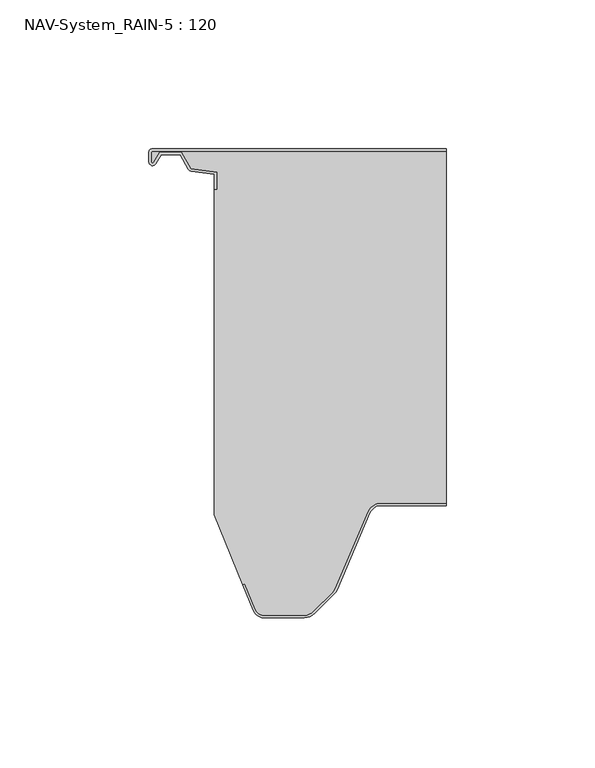
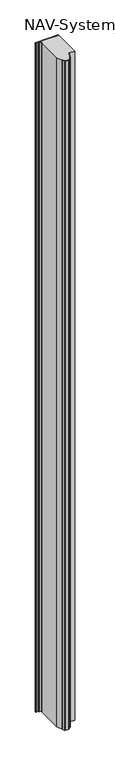
"""IFC4 building model written with IfcOpenShell, lengths in millimetres: plate geometry, NAV-System_RAIN-5 : 120."""

from ifc_helpers import new_model, si_unit, point, frame_2d, origin, origin_with_axes, place, context, project, spatial, polyline, circle_curve, trimmed, segment, composite_curve, outline, extrude, source, transform, mapped, element, save


def nav_system_rain_5_120_ef4ea77f(model_context):
    return source(origin(), model_context, "Body", "SweptSolid", [
        extrude(outline(composite_curve([segment(trimmed(circle_curve(frame_2d((-48.7, -1.3)), 0.5), [point((-48.7, -0.8))], [point((-49.2, -1.3))], True, "CARTESIAN"), True, "CONTINUOUS"), segment(polyline([(-49.2, -1.3), (-49.2, -4.3700191)]), True, "CONTINUOUS"), segment(trimmed(circle_curve(frame_2d((-48.7, -4.3700191)), 0.5), [point((-49.2, -4.3700191))], [point((-48.2669873, -4.6200191))], True, "CARTESIAN"), True, "CONTINUOUS"), segment(polyline([(-48.2669873, -4.6200191), (-46.2924383, -1.2), (-38.9841833, -1.2), (-35.8164586, -6.6866602), (-27.2, -7.898332), (-27.2, -13.6767555), (-28.0, -13.6767555), (-28.0, -8.5937048), (-35.6863953, -7.5128213)]), True, "CONTINUOUS"), segment(trimmed(circle_curve(frame_2d((-35.5053666, -6.2254873)), 1.3), [point((-35.6863953, -7.5128213))], [point((-36.6311996, -6.8754873))], False, "CARTESIAN"), True, "CONTINUOUS"), segment(polyline([(-36.6311996, -6.8754873), (-39.4460636, -2.0), (-45.8305581, -2.0), (-47.574167, -5.0200191)]), True, "CONTINUOUS"), segment(trimmed(circle_curve(frame_2d((-48.7, -4.3700191)), 1.3), [point((-47.574167, -5.0200191))], [point((-50.0, -4.3700191))], False, "CARTESIAN"), True, "CONTINUOUS"), segment(polyline([(-50.0, -4.3700191), (-50.0, -1.3)]), True, "CONTINUOUS"), segment(trimmed(circle_curve(frame_2d((-48.7, -1.3)), 1.3), [point((-50.0, -1.3))], [point((-48.7, 0.0))], False, "CARTESIAN"), True, "CONTINUOUS"), segment(polyline([(-48.7, 0.0), (50.0, 0.0), (50.0, -0.8), (-48.7, -0.8)]), True, "CONTINUOUS")], self_intersect=False)), origin_with_axes(), (0.0, 0.0, 1.0), 3000.0),
        extrude(outline(composite_curve([segment(trimmed(circle_curve(frame_2d((28.0709249, -124.0)), 4.8), [point((28.0709249, -119.2))], [point((23.6607271, -122.1052295))], True, "CARTESIAN"), True, "CONTINUOUS"), segment(polyline([(23.6607271, -122.1052295), (12.5754349, -147.9069459)]), True, "CONTINUOUS"), segment(trimmed(circle_curve(frame_2d((8.7165118, -146.2490217)), 4.2), [point((12.5754349, -147.9069459))], [point((11.6863603, -149.2188701))], False, "CARTESIAN"), True, "CONTINUOUS"), segment(polyline([(11.6863603, -149.2188701), (5.235382, -155.6698485)]), True, "CONTINUOUS"), segment(trimmed(circle_curve(frame_2d((2.2655335, -152.7)), 4.2), [point((5.235382, -155.6698485))], [point((2.2655335, -156.9))], False, "CARTESIAN"), True, "CONTINUOUS"), segment(polyline([(2.2655335, -156.9), (-11.1405186, -156.9)]), True, "CONTINUOUS"), segment(trimmed(circle_curve(frame_2d((-11.1405186, -153.7)), 3.2), [point((-11.1405186, -156.9))], [point((-14.1022482, -154.9116756))], False, "CARTESIAN"), True, "CONTINUOUS"), segment(polyline([(-14.1022482, -154.9116756), (-17.6292254, -146.2905951), (-18.3696578, -146.593514), (-28.0, -123.053822), (-28.0, -13.6767555), (-27.2, -13.6767555), (-27.2, -7.898332), (-35.8164586, -6.6866602), (-38.9841833, -1.2), (-46.2924383, -1.2), (-48.2669873, -4.6200191)]), True, "CONTINUOUS"), segment(trimmed(circle_curve(frame_2d((-48.7, -4.3700191)), 0.5), [point((-48.2669873, -4.6200191))], [point((-49.2, -4.3700191))], False, "CARTESIAN"), True, "CONTINUOUS"), segment(polyline([(-49.2, -4.3700191), (-49.2, -1.3)]), True, "CONTINUOUS"), segment(trimmed(circle_curve(frame_2d((-48.7, -1.3)), 0.5), [point((-49.2, -1.3))], [point((-48.7, -0.8))], False, "CARTESIAN"), True, "CONTINUOUS"), segment(polyline([(-48.7, -0.8), (50.0, -0.8), (50.0, -119.2), (28.0709249, -119.2)]), True, "CONTINUOUS")], self_intersect=False)), origin_with_axes(), (0.0, 0.0, 1.0), 3000.0),
        extrude(outline(composite_curve([segment(polyline([(-14.8430228, -155.2145945), (-18.37, -146.593514), (-17.6295676, -146.2905951), (-14.1025904, -154.9116756)]), True, "CONTINUOUS"), segment(trimmed(circle_curve(frame_2d((-11.1408608, -153.7)), 3.2), [point((-14.1025904, -154.9116756))], [point((-11.1408608, -156.9))], True, "CARTESIAN"), True, "CONTINUOUS"), segment(polyline([(-11.1408608, -156.9), (2.2651913, -156.9)]), True, "CONTINUOUS"), segment(trimmed(circle_curve(frame_2d((2.2651913, -152.7)), 4.2), [point((2.2651913, -156.9))], [point((5.2350397, -155.6698485))], True, "CARTESIAN"), True, "CONTINUOUS"), segment(polyline([(5.2350397, -155.6698485), (11.6860181, -149.2188701)]), True, "CONTINUOUS"), segment(trimmed(circle_curve(frame_2d((8.7161696, -146.2490217)), 4.2), [point((11.6860181, -149.2188701))], [point((12.5750927, -147.9069459))], True, "CARTESIAN"), True, "CONTINUOUS"), segment(polyline([(12.5750927, -147.9069459), (23.6603849, -122.1052295)]), True, "CONTINUOUS"), segment(trimmed(circle_curve(frame_2d((28.0705827, -124.0)), 4.8), [point((23.6603849, -122.1052295))], [point((28.0705827, -119.2))], False, "CARTESIAN"), True, "CONTINUOUS"), segment(polyline([(28.0705827, -119.2), (50.0, -119.2), (50.0, -120.0), (28.0705827, -120.0)]), True, "CONTINUOUS"), segment(trimmed(circle_curve(frame_2d((28.0705827, -124.0)), 4.0), [point((28.0705827, -120.0))], [point((24.3954178, -122.4210246))], True, "CARTESIAN"), True, "CONTINUOUS"), segment(polyline([(24.3954178, -122.4210246), (13.3101256, -148.2227409)]), True, "CONTINUOUS"), segment(trimmed(circle_curve(frame_2d((8.7161696, -146.2490217)), 5.0), [point((13.3101256, -148.2227409))], [point((12.2517035, -149.7845556))], False, "CARTESIAN"), True, "CONTINUOUS"), segment(polyline([(12.2517035, -149.7845556), (5.8007252, -156.2355339)]), True, "CONTINUOUS"), segment(trimmed(circle_curve(frame_2d((2.2651913, -152.7)), 5.0), [point((5.8007252, -156.2355339))], [point((2.2651913, -157.7))], False, "CARTESIAN"), True, "CONTINUOUS"), segment(polyline([(2.2651913, -157.7), (-11.1408608, -157.7)]), True, "CONTINUOUS"), segment(trimmed(circle_curve(frame_2d((-11.1408608, -153.7)), 4.0), [point((-11.1408608, -157.7))], [point((-14.8430228, -155.2145945))], False, "CARTESIAN"), True, "CONTINUOUS")], self_intersect=False)), origin_with_axes(), (0.0, 0.0, 1.0), 3000.0),
    ])


if __name__ == "__main__":
    model = new_model("IFC4")
    model_context = context("Model", 3, world=origin())
    ifc_project = project(units=[si_unit("LENGTHUNIT", "METRE", prefix="MILLI")], contexts=[model_context])
    site = spatial("IfcSite", under=ifc_project)
    building = spatial("IfcBuilding", under=site)
    placement = place(None, origin())
    nav_system_rain_5_120_shape = nav_system_rain_5_120_ef4ea77f(model_context)
    element("IfcPlate", 1, ObjectType="NAV-System_RAIN-5 : 120", at=placement, inside=building, context=model_context, shape_type="MappedRepresentation", body=[
        mapped(nav_system_rain_5_120_shape, transform((0.0, 0.0, 0.0), x_axis=(1.0, 0.0, 0.0), y_axis=(0.0, 1.0, 0.0), z_axis=(0.0, 0.0, 1.0))),
    ])
    save(model, "model.ifc")
